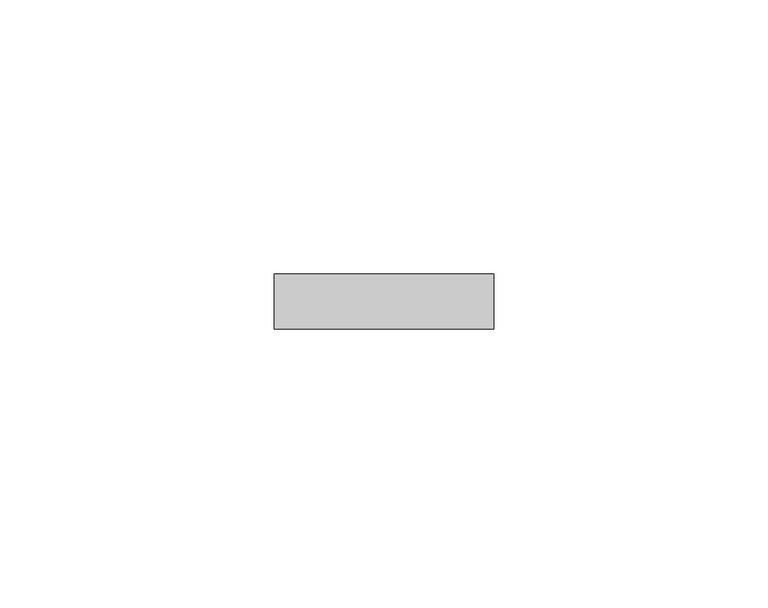
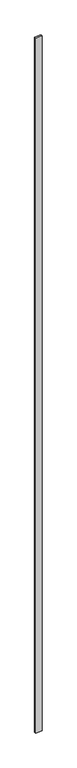
"""IFC4 building model written with IfcOpenShell, lengths in millimetres: plate geometry."""

from ifc_helpers import new_model, si_unit, origin, origin_with_axes, place, context, project, spatial, polyline, outline, extrude, source, transform, mapped, element, save


def plate_6626f2db(model_context):
    return source(origin(), model_context, "Body", "SweptSolid", [
        extrude(outline(polyline([(19.9613249, -5.0), (-19.9613249, -5.0), (-19.9613249, 5.0), (19.9613249, 5.0), (19.9613249, -5.0)])), origin_with_axes(), (0.0, 0.0, 1.0), 4500.0),
    ])


if __name__ == "__main__":
    model = new_model("IFC4")
    model_context = context("Model", 3, world=origin())
    ifc_project = project(units=[si_unit("LENGTHUNIT", "METRE", prefix="MILLI")], contexts=[model_context])
    site = spatial("IfcSite", under=ifc_project)
    building = spatial("IfcBuilding", under=site)
    placement = place(None, origin())
    plate_shape = plate_6626f2db(model_context)
    element("IfcPlate", 1, at=placement, inside=building, context=model_context, shape_type="MappedRepresentation", body=[
        mapped(plate_shape, transform((0.0, 0.0, 0.0), x_axis=(1.0, 0.0, 0.0), y_axis=(0.0, 1.0, 0.0), z_axis=(0.0, 0.0, 1.0))),
    ])
    save(model, "model.ifc")
